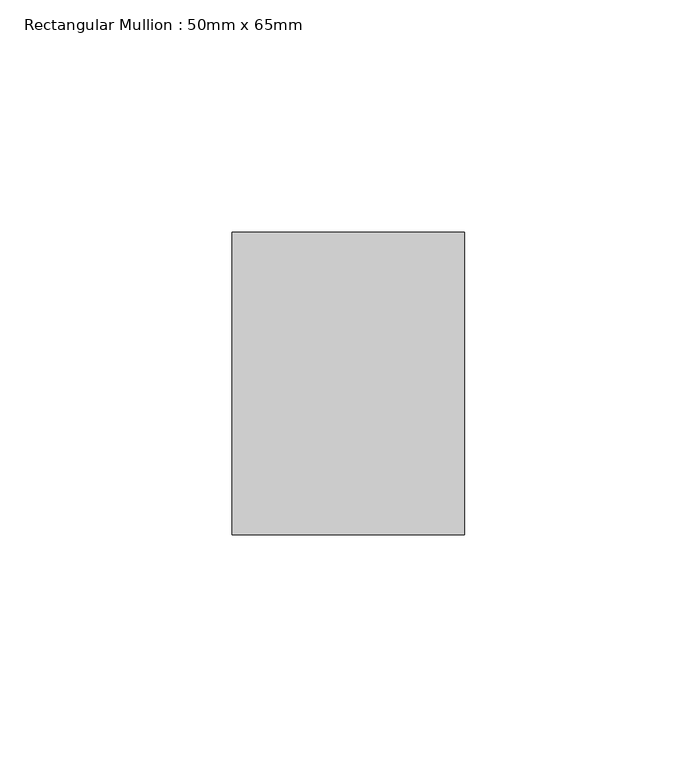
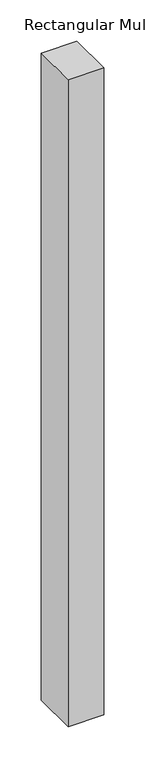
"""IFC4 building model written with IfcOpenShell, lengths in millimetres: member geometry, Rectangular Mullion : 50mm x 65mm."""

from ifc_helpers import new_model, si_unit, frame, origin, place, context, project, spatial, polyline, outline, extrude, source, transform, mapped, element, save


def rectangular_mullion_50mm_x_65mm_79d39da6(model_context):
    return source(origin(), model_context, "Body", "SweptSolid", [
        extrude(outline(polyline([(25.0, 32.5), (25.0, -32.5), (-25.0, -32.5), (-25.0, 32.5), (25.0, 32.5)])), frame((0.0, 0.0, -957.7638971), z_axis=(0.0, 0.0, 1.0), x_axis=(1.0, 0.0, 0.0)), (0.0, 0.0, 1.0), 957.7638971),
    ])


if __name__ == "__main__":
    model = new_model("IFC4")
    model_context = context("Model", 3, world=origin())
    ifc_project = project(units=[si_unit("LENGTHUNIT", "METRE", prefix="MILLI")], contexts=[model_context])
    site = spatial("IfcSite", under=ifc_project)
    building = spatial("IfcBuilding", under=site)
    placement = place(None, origin())
    rectangular_mullion_50mm_x_65mm_shape = rectangular_mullion_50mm_x_65mm_79d39da6(model_context)
    element("IfcMember", 1, ObjectType="Rectangular Mullion : 50mm x 65mm", at=placement, inside=building, context=model_context, shape_type="MappedRepresentation", body=[
        mapped(rectangular_mullion_50mm_x_65mm_shape, transform((0.0, 0.0, 0.0), x_axis=(1.0, 0.0, 0.0), y_axis=(0.0, 1.0, 0.0), z_axis=(0.0, 0.0, 1.0))),
    ])
    save(model, "model.ifc")
